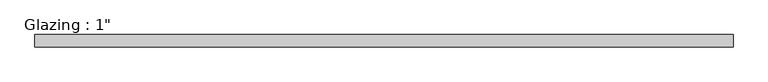
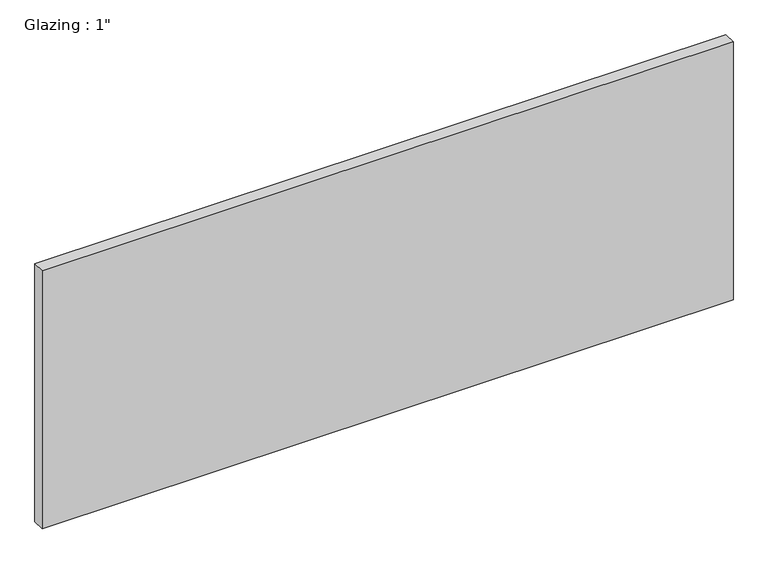
"""IFC4 building model written with IfcOpenShell, lengths in millimetres: plate geometry."""

import ifcopenshell
import ifcopenshell.guid

model = None  # the IFC model being written
_history = None  # IfcOwnerHistory: only IFC2X3 demands one
_inside = {}  # id of a spatial element -> (the spatial element, [elements in it])
_under = {}  # id of a project, library or spatial element -> (it, [spatial elements below it])
_declared = {}  # id of a project -> (the project, [libraries it declares])
_typed = {}  # id of a type object -> (the type object, [elements of that type])
_made_of = {}  # id of a material, layer set ... -> (it, [elements and type objects made of it])


def new_model(schema):
    """Start an empty IFC model of exactly this schema.

    Asked for "IFC4X3", IfcOpenShell would pick the latest addendum, in which some entities
    have other attributes; the version numbers below select the first issue.
    IFC2X3 requires an IfcOwnerHistory on every rooted entity: one is made here for all.
    """
    global model, _history
    if schema == "IFC4X3":
        model = ifcopenshell.file(schema_version=(4, 3, 0, 0))
    else:
        model = ifcopenshell.file(schema=schema)
    _inside.clear()
    _under.clear()
    _declared.clear()
    _typed.clear()
    _made_of.clear()
    _history = None
    if model.schema == "IFC2X3":
        org = make("IfcOrganization", Name="unknown")
        user = make(
            "IfcPersonAndOrganization",
            ThePerson=make("IfcPerson", FamilyName="unknown"),
            TheOrganization=org,
        )
        app = make(
            "IfcApplication",
            ApplicationDeveloper=org,
            Version="unknown",
            ApplicationFullName="unknown",
            ApplicationIdentifier="unknown",
        )
        _history = make(
            "IfcOwnerHistory",
            OwningUser=user,
            OwningApplication=app,
            ChangeAction="ADDED",
            CreationDate=0,
        )
    return model


def make(cls, **values):
    """One entity of the class cls with the attributes given. An attribute that is None is left unset."""
    return model.create_entity(
        cls, **{name: value for name, value in values.items() if value is not None}
    )


def rooted(cls, **values):
    """An entity with a GlobalId (a new one), such as an element, a storey or a relation."""
    return make(cls, GlobalId=ifcopenshell.guid.new(), OwnerHistory=_history, **values)


def si_unit(unit_type, name, prefix=None):
    """IfcSIUnit, for example si_unit("LENGTHUNIT", "METRE", prefix="MILLI")."""
    return make("IfcSIUnit", UnitType=unit_type, Prefix=prefix, Name=name)


def assignment(units):
    """IfcUnitAssignment: the units of a project."""
    return None if units is None else make("IfcUnitAssignment", Units=units)


def point(xyz):
    """IfcCartesianPoint."""
    return None if xyz is None else make("IfcCartesianPoint", Coordinates=xyz)


def direction(xyz):
    """IfcDirection."""
    return None if xyz is None else make("IfcDirection", DirectionRatios=xyz)


def frame(location, z_axis=None, x_axis=None):
    """IfcAxis2Placement3D, a coordinate frame: its origin and axes. An axis left out is left unset."""
    return make(
        "IfcAxis2Placement3D",
        Location=point(location),
        Axis=direction(z_axis),
        RefDirection=direction(x_axis),
    )


def origin():
    """The frame at (0, 0, 0) with its axes left unset."""
    return frame((0.0, 0.0, 0.0))


def origin_with_axes():
    """The frame at (0, 0, 0) with the z axis (0, 0, 1) and the x axis (1, 0, 0) written out."""
    return frame((0.0, 0.0, 0.0), z_axis=(0.0, 0.0, 1.0), x_axis=(1.0, 0.0, 0.0))


def place(relative_to, where):
    """IfcLocalPlacement: puts the frame where relative to a parent placement (None: the world)."""
    return make(
        "IfcLocalPlacement", PlacementRelTo=relative_to, RelativePlacement=where
    )


def context(
    kind, dimensions, precision=None, world=None, true_north=None, identifier=None
):
    """IfcGeometricRepresentationContext, for example the 3D "Model" context."""
    return make(
        "IfcGeometricRepresentationContext",
        ContextIdentifier=identifier,
        ContextType=kind,
        CoordinateSpaceDimension=dimensions,
        Precision=precision,
        WorldCoordinateSystem=world,
        TrueNorth=true_north,
    )


def project(units=None, contexts=None):
    """IfcProject with its units and contexts."""
    return rooted(
        "IfcProject",
        Name="project",
        RepresentationContexts=contexts,
        UnitsInContext=assignment(units),
    )


def spatial(cls, under=None, at=None, **own):
    """A site, building, storey or space (cls), placed at a placement, below another one or the project."""
    s = rooted(cls, ObjectPlacement=at, **own)
    if under is not None:
        _under.setdefault(under.id(), (under, []))[1].append(s)
    return s


def polyline(points):
    """IfcPolyline through the points."""
    return make("IfcPolyline", Points=[point(p) for p in points])


def outline(outer, holes=None, kind="AREA"):
    """IfcArbitraryClosedProfileDef: a profile drawn as a closed curve; with holes, ...WithVoids."""
    if holes is None:
        return make("IfcArbitraryClosedProfileDef", ProfileType=kind, OuterCurve=outer)
    return make(
        "IfcArbitraryProfileDefWithVoids",
        ProfileType=kind,
        OuterCurve=outer,
        InnerCurves=holes,
    )


def extrude(swept, where, along, depth):
    """IfcExtrudedAreaSolid: the profile swept, set in the frame where, extruded along a direction by depth."""
    return make(
        "IfcExtrudedAreaSolid",
        SweptArea=swept,
        Position=where,
        ExtrudedDirection=direction(along),
        Depth=depth,
    )


def shape(context_of_items, identifier, shape_type, items):
    """IfcShapeRepresentation: the items that make up one representation, for example the "Body"."""
    return make(
        "IfcShapeRepresentation",
        ContextOfItems=context_of_items,
        RepresentationIdentifier=identifier,
        RepresentationType=shape_type,
        Items=items,
    )


def source(mapping_origin, context_of_items, identifier, shape_type, items):
    """IfcRepresentationMap: a shape defined once, which mapped items show again and again."""
    return make(
        "IfcRepresentationMap",
        MappingOrigin=mapping_origin,
        MappedRepresentation=shape(context_of_items, identifier, shape_type, items),
    )


def transform(
    local_origin,
    x_axis=None,
    y_axis=None,
    z_axis=None,
    scale=None,
    scale2=None,
    scale3=None,
    uniform=True,
):
    """IfcCartesianTransformationOperator3D, or its non-uniform kind. x_axis, y_axis, z_axis: its Axis1, 2, 3."""
    if uniform:
        return make(
            "IfcCartesianTransformationOperator3D",
            Axis1=direction(x_axis),
            Axis2=direction(y_axis),
            LocalOrigin=point(local_origin),
            Scale=scale,
            Axis3=direction(z_axis),
        )
    return make(
        "IfcCartesianTransformationOperator3DnonUniform",
        Axis1=direction(x_axis),
        Axis2=direction(y_axis),
        LocalOrigin=point(local_origin),
        Scale=scale,
        Axis3=direction(z_axis),
        Scale2=scale2,
        Scale3=scale3,
    )


def mapped(mapping_source, mapping_target):
    """IfcMappedItem: shows the shape of a source again, moved by a transform."""
    return make(
        "IfcMappedItem", MappingSource=mapping_source, MappingTarget=mapping_target
    )


def made_of(thing, what):
    """Note that an element or type object is made of a material, layer set ...; save() writes the relation."""
    if what is not None:
        _made_of.setdefault(what.id(), (what, []))[1].append(thing)
    return thing


def element(
    cls,
    number,
    at=None,
    inside=None,
    cuts=None,
    type_object=None,
    material=None,
    context=None,
    identifier="Body",
    shape_type=None,
    held_by="IfcProductDefinitionShape",
    body=None,
    shapes=None,
    **own,
):
    """One element of the class cls, such as IfcWall. Its Tag is "e" and its number.

    at: its placement. inside: the storey or other place that contains it. cuts: it is an
    opening in that element (IfcRelVoidsElement). A single representation is given by context,
    identifier, shape_type and body (its items); several are given by shapes. held_by: the class
    of the entity that holds the representations. save() writes the other relations.
    """
    e = rooted(cls, Tag="e%d" % number, ObjectPlacement=at, **own)
    if body is not None:
        shapes = [shape(context, identifier, shape_type, body)]
    if shapes is not None:
        e.Representation = make(held_by, Representations=shapes)
    if inside is not None:
        _inside.setdefault(inside.id(), (inside, []))[1].append(e)
    if cuts is not None:
        rooted(
            "IfcRelVoidsElement", RelatingBuildingElement=cuts, RelatedOpeningElement=e
        )
    if type_object is not None:
        _typed.setdefault(type_object.id(), (type_object, []))[1].append(e)
    return made_of(e, material)


def aggregate(whole, parts):
    """IfcRelAggregates: a whole, such as a stair, and the parts it consists of."""
    return rooted("IfcRelAggregates", RelatingObject=whole, RelatedObjects=parts)


def save(model, path):
    """Write the relations noted so far, then the file.

    IfcRelAggregates (storeys below a building ...), IfcRelContainedInSpatialStructure (elements
    in a storey), IfcRelDefinesByType, IfcRelAssociatesMaterial and IfcRelDeclares: one each for
    every whole, place, type object, material and project.
    """
    for whole, parts in _under.values():
        aggregate(whole, parts)
    for where, things in _inside.values():
        rooted(
            "IfcRelContainedInSpatialStructure",
            RelatedElements=things,
            RelatingStructure=where,
        )
    for kind, things in _typed.values():
        rooted("IfcRelDefinesByType", RelatedObjects=things, RelatingType=kind)
    for what, things in _made_of.values():
        rooted("IfcRelAssociatesMaterial", RelatedObjects=things, RelatingMaterial=what)
    for by, libraries in _declared.values():
        rooted("IfcRelDeclares", RelatingContext=by, RelatedDefinitions=libraries)
    model.write(path)


def plate_e0babd57(model_context):
    return source(origin(), model_context, "Body", "SweptSolid", [
        extrude(outline(polyline([(713.8074708, -12.7), (-713.8074708, -12.7), (-713.8074708, 12.7), (713.8074708, 12.7), (713.8074708, -12.7)])), origin_with_axes(), (0.0, 0.0, 1.0), 563.17901),
    ])


if __name__ == "__main__":
    model = new_model("IFC4")
    model_context = context("Model", 3, world=origin())
    ifc_project = project(units=[si_unit("LENGTHUNIT", "METRE", prefix="MILLI")], contexts=[model_context])
    site = spatial("IfcSite", under=ifc_project)
    building = spatial("IfcBuilding", under=site)
    placement = place(None, origin())
    plate_shape = plate_e0babd57(model_context)
    element("IfcPlate", 1, ObjectType="Glazing : 1\"", at=placement, inside=building, context=model_context, shape_type="MappedRepresentation", body=[
        mapped(plate_shape, transform((0.0, 0.0, 0.0), x_axis=(1.0, 0.0, 0.0), y_axis=(0.0, 1.0, 0.0), z_axis=(0.0, 0.0, 1.0))),
    ])
    save(model, "model.ifc")
